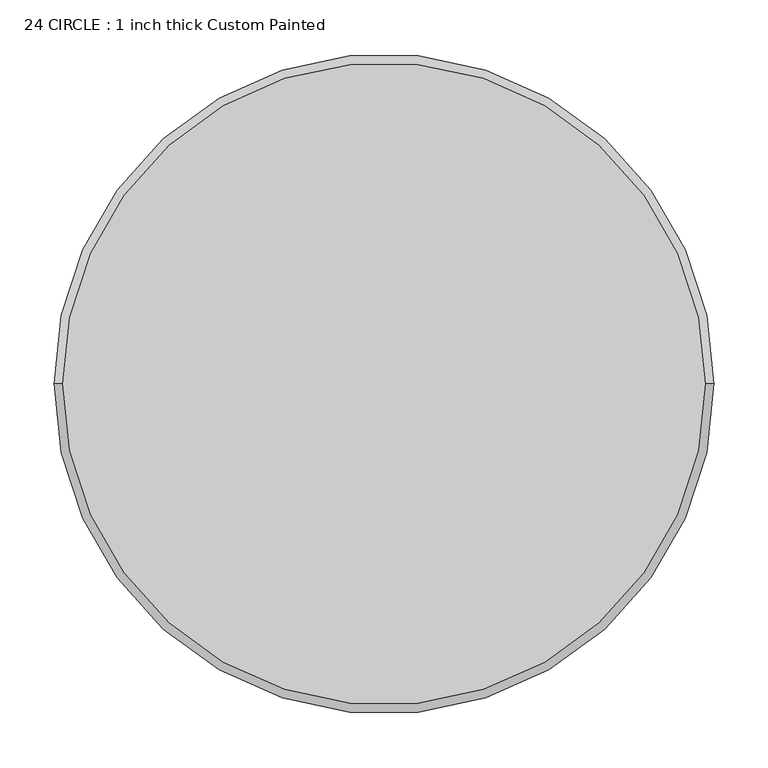
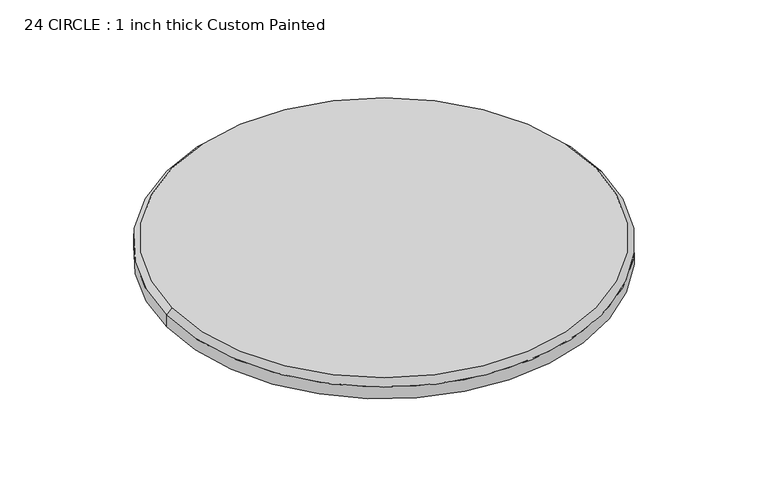
"""IFC4 building model written with IfcOpenShell, lengths in millimetres: proxy geometry, 24 CIRCLE : 1 inch thick Custom Painted."""

from ifc_helpers import new_model, si_unit, frame, origin, origin_with_axes, place, context, project, spatial, polyline, circle_curve, source, transform, mapped, element, save
from ifc_brep_helpers import plane_surface, cylinder_surface, revolved_surface, advanced_brep


def proxy_24_circle_1_inch_thick_custom_painted_01506d17(model_context):
    return source(origin(), model_context, "Body", "AdvancedBrep", [
        advanced_brep(
        [(-296.799, 0.0, 25.4), (296.799, 0.0, 25.4), (-304.8, 0.0, 0.0), (304.8, 0.0, 0.0), (304.8, 0.0, 17.399), (-304.8, 0.0, 17.399)],
        [
            (0, 1, circle_curve(frame((0.0, 0.0, 25.4), z_axis=(0.0, 0.0, 1.0), x_axis=(-1.0, 0.0, 0.0)), 296.799)),
            (1, 0, circle_curve(frame((0.0, 0.0, 25.4), z_axis=(0.0, 0.0, 1.0), x_axis=(1.0, 0.0, 0.0)), 296.799)),
            (2, 3, circle_curve(frame((0.0, 0.0, 0.0), z_axis=(0.0, 0.0, -1.0), x_axis=(1.0, 0.0, 0.0)), 304.8)),
            (3, 2, circle_curve(frame((0.0, 0.0, 0.0), z_axis=(0.0, 0.0, -1.0), x_axis=(1.0, 0.0, 0.0)), 304.8)),
            (3, 4),
            (4, 5, circle_curve(frame((0.0, 0.0, 17.399), z_axis=(0.0, 0.0, -1.0), x_axis=(1.0, 0.0, 0.0)), 304.8)),
            (5, 2),
            (5, 4, circle_curve(frame((0.0, 0.0, 17.399), z_axis=(0.0, 0.0, -1.0), x_axis=(1.0, 0.0, 0.0)), 304.8)),
            (4, 1),
            (0, 5),
        ],
        [
            plane_surface(frame((304.8, 0.0, 25.4), z_axis=(0.0, 0.0, 1.0), x_axis=(0.0, 1.0, 0.0))),
            plane_surface(frame((304.8, 0.0, 0.0), z_axis=(0.0, 0.0, -1.0), x_axis=(0.0, -1.0, 0.0))),
            cylinder_surface(origin_with_axes(), 304.8),
            revolved_surface(polyline([(-304.8, 0.0, 17.399), (-296.799, 0.0, 25.4)]), (0.0, 0.0, 25.4), (0.0, 0.0, 1.0)),
            revolved_surface(polyline([(304.8, 0.0, 17.399), (296.799, 0.0, 25.4)]), (0.0, 0.0, 25.4), (0.0, 0.0, 1.0)),
        ],
        [
            (0, [[1, 2]]),
            (1, [[3, 4]]),
            (2, [[-4, 5, 6, 7]]),
            (2, [[-3, -7, 8, -5]]),
            (3, [[9, -1, 10, -6]]),
            (4, [[-9, -8, -10, -2]]),
        ],
    ),
    ])


if __name__ == "__main__":
    model = new_model("IFC4")
    model_context = context("Model", 3, world=origin())
    ifc_project = project(units=[si_unit("LENGTHUNIT", "METRE", prefix="MILLI")], contexts=[model_context])
    site = spatial("IfcSite", under=ifc_project)
    building = spatial("IfcBuilding", under=site)
    placement = place(None, origin())
    proxy_24_circle_1_inch_thick_custom_painted_shape = proxy_24_circle_1_inch_thick_custom_painted_01506d17(model_context)
    element("IfcBuildingElementProxy", 1, Name="24 CIRCLE : 1 inch thick Custom Painted", ObjectType="24 CIRCLE : 1 inch thick Custom Painted", at=placement, inside=building, context=model_context, shape_type="MappedRepresentation", body=[
        mapped(proxy_24_circle_1_inch_thick_custom_painted_shape, transform((0.0, 0.0, 0.0), x_axis=(1.0, 0.0, 0.0), y_axis=(0.0, 1.0, 0.0), z_axis=(0.0, 0.0, 1.0))),
    ])
    save(model, "model.ifc")
